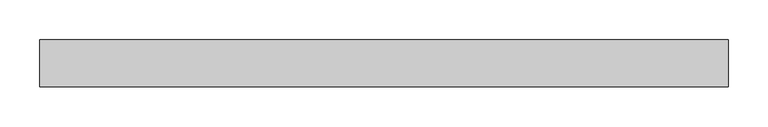
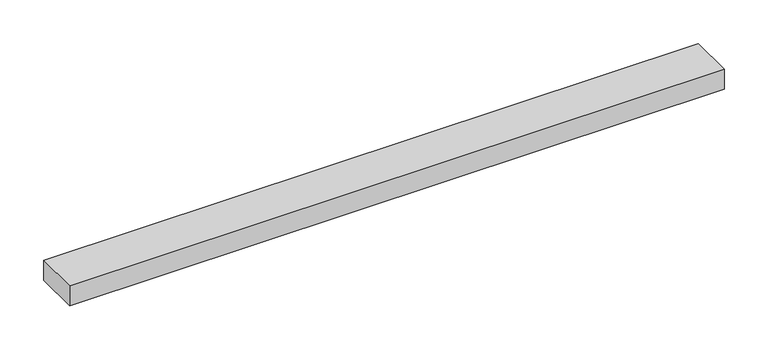
"""IFC4 building model written with IfcOpenShell, lengths in millimetres: proxy geometry."""

from ifc_helpers import new_model, si_unit, frame, origin, place, context, project, spatial, polyline, outline, extrude, source, transform, mapped, element, save


def specialty_equipment_bfaf870f(model_context):
    return source(origin(), model_context, "Body", "SweptSolid", [
        extrude(outline(polyline([(-430.7105122, -29.2199219), (-430.7105122, 29.2199219), (430.7105122, 29.2199219), (430.7105122, -29.2199219), (-430.7105122, -29.2199219)])), frame((0.0, 0.0, -13.9898438), z_axis=(0.0, 0.0, 1.0), x_axis=(1.0, 0.0, 0.0)), (0.0, 0.0, 1.0), 27.9796875),
    ])


if __name__ == "__main__":
    model = new_model("IFC4")
    model_context = context("Model", 3, world=origin())
    ifc_project = project(units=[si_unit("LENGTHUNIT", "METRE", prefix="MILLI")], contexts=[model_context])
    site = spatial("IfcSite", under=ifc_project)
    building = spatial("IfcBuilding", under=site)
    placement = place(None, origin())
    specialty_equipment_shape = specialty_equipment_bfaf870f(model_context)
    element("IfcBuildingElementProxy", 1, Name="Specialty Equipment", at=placement, inside=building, context=model_context, shape_type="MappedRepresentation", body=[
        mapped(specialty_equipment_shape, transform((0.0, 0.0, 0.0), x_axis=(1.0, 0.0, 0.0), y_axis=(0.0, 1.0, 0.0), z_axis=(0.0, 0.0, 1.0))),
    ])
    save(model, "model.ifc")
